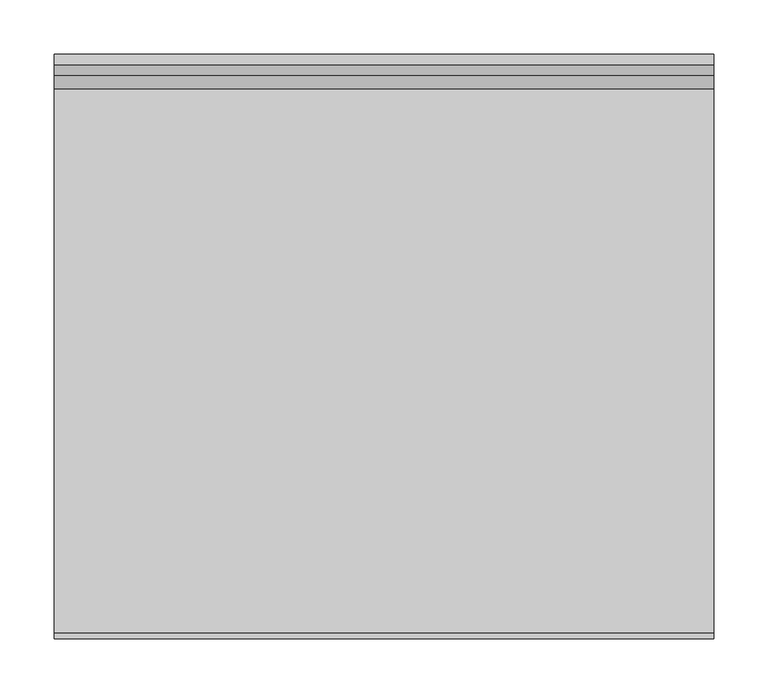
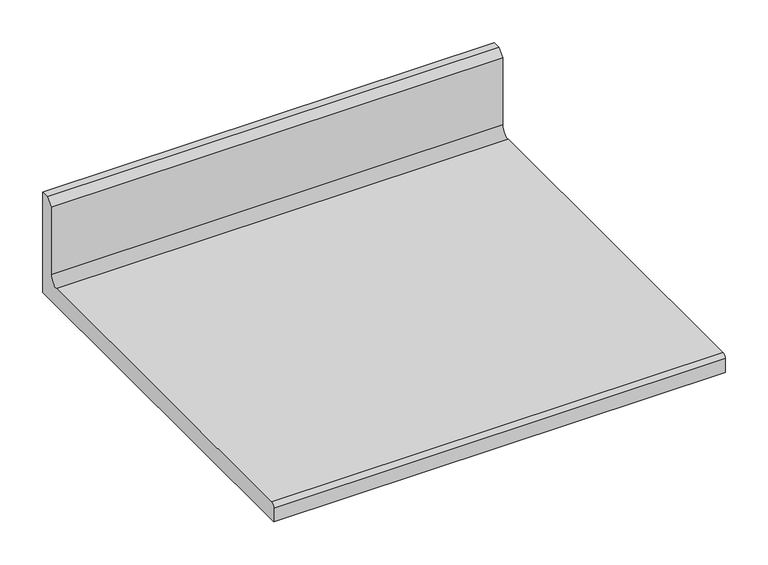
"""IFC4 building model written with IfcOpenShell, lengths in millimetres: furniture geometry."""

from ifc_helpers import new_model, si_unit, point, frame, frame_2d, origin, place, context, project, spatial, polyline, circle_curve, trimmed, segment, composite_curve, outline, extrude, source, transform, mapped, element, save


def furniture_95cb8a98(model_context):
    return source(origin(), model_context, "Body", "SweptSolid", [
        extrude(outline(composite_curve([segment(polyline([(168.529, 1106.30462), (168.529, 962.6727), (-371.729, 962.6727), (-371.729, 982.4847)]), True, "CONTINUOUS"), segment(trimmed(circle_curve(frame_2d((-366.141, 982.4847)), 5.588), [point((-371.729, 982.4847))], [point((-366.141, 988.0727))], False, "CARTESIAN"), True, "CONTINUOUS"), segment(polyline([(-366.141, 988.0727), (136.271, 988.0727)]), True, "CONTINUOUS"), segment(trimmed(circle_curve(frame_2d((136.271, 1000.7727)), 12.7), [point((136.271, 988.0727))], [point((148.971, 1000.7727))], True, "CARTESIAN"), True, "CONTINUOUS"), segment(polyline([(148.971, 1000.7727), (148.971, 1096.77962), (158.496, 1106.30462), (168.529, 1106.30462)]), True, "CONTINUOUS")], self_intersect=False)), frame((-304.8, 0.0, 0.0), z_axis=(1.0, 0.0, 0.0), x_axis=(0.0, 1.0, 0.0)), (0.0, 0.0, 1.0), 609.6),
    ])


if __name__ == "__main__":
    model = new_model("IFC4")
    model_context = context("Model", 3, world=origin())
    ifc_project = project(units=[si_unit("LENGTHUNIT", "METRE", prefix="MILLI")], contexts=[model_context])
    site = spatial("IfcSite", under=ifc_project)
    building = spatial("IfcBuilding", under=site)
    placement = place(None, origin())
    furniture_shape = furniture_95cb8a98(model_context)
    element("IfcFurniture", 1, at=placement, inside=building, context=model_context, shape_type="MappedRepresentation", body=[
        mapped(furniture_shape, transform((0.0, 0.0, 0.0), x_axis=(1.0, 0.0, 0.0), y_axis=(0.0, 1.0, 0.0), z_axis=(0.0, 0.0, 1.0))),
    ])
    save(model, "model.ifc")
